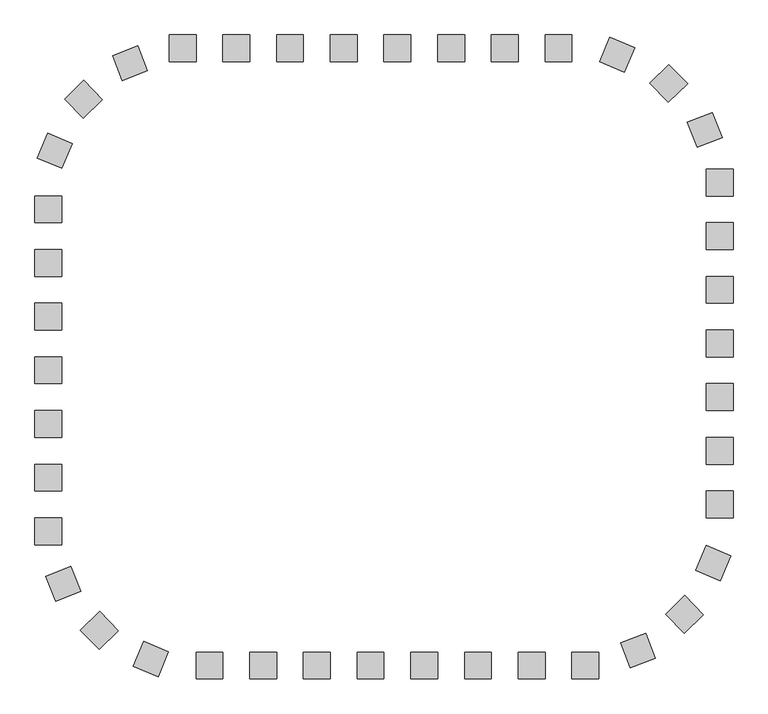
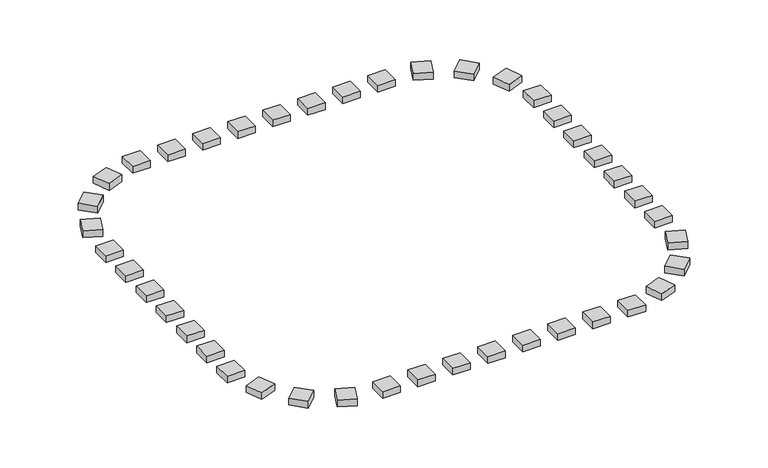
"""IFC4 building model written with IfcOpenShell, lengths in millimetres: railing geometry."""

from ifc_helpers import new_model, si_unit, origin, origin_with_axes, place, context, project, spatial, polyline, outline, extrude, source, transform, mapped, element, save


def railing_3640f5e8(model_context):
    return source(origin(), model_context, "Body", "SweptSolid", [
        extrude(outline(polyline([(61542.0201433, 21987.3166341), (61542.0201433, 21487.3166341), (61042.0201433, 21487.3166341), (61042.0201433, 21987.3166341), (61542.0201433, 21987.3166341)])), origin_with_axes(), (0.0, 0.0, 1.0), 200.0),
        extrude(outline(polyline([(60542.0201433, 21987.3166341), (60542.0201433, 21487.3166341), (60042.0201433, 21487.3166341), (60042.0201433, 21987.3166341), (60542.0201433, 21987.3166341)])), origin_with_axes(), (0.0, 0.0, 1.0), 200.0),
        extrude(outline(polyline([(59542.0201433, 21987.3166341), (59542.0201433, 21487.3166341), (59042.0201433, 21487.3166341), (59042.0201433, 21987.3166341), (59542.0201433, 21987.3166341)])), origin_with_axes(), (0.0, 0.0, 1.0), 200.0),
        extrude(outline(polyline([(58542.0201433, 21987.3166341), (58542.0201433, 21487.3166341), (58042.0201433, 21487.3166341), (58042.0201433, 21987.3166341), (58542.0201433, 21987.3166341)])), origin_with_axes(), (0.0, 0.0, 1.0), 200.0),
        extrude(outline(polyline([(57542.0201433, 21987.3166341), (57542.0201433, 21487.3166341), (57042.0201433, 21487.3166341), (57042.0201433, 21987.3166341), (57542.0201433, 21987.3166341)])), origin_with_axes(), (0.0, 0.0, 1.0), 200.0),
        extrude(outline(polyline([(56542.0201433, 21987.3166341), (56542.0201433, 21487.3166341), (56042.0201433, 21487.3166341), (56042.0201433, 21987.3166341), (56542.0201433, 21987.3166341)])), origin_with_axes(), (0.0, 0.0, 1.0), 200.0),
        extrude(outline(polyline([(54454.9468799, 21783.433892), (54636.1257571, 21317.4143491), (54170.1062142, 21136.2354718), (53988.9273369, 21602.2550148), (54454.9468799, 21783.433892)])), origin_with_axes(), (0.0, 0.0, 1.0), 200.0),
        extrude(outline(polyline([(53451.9000153, 21139.3849068), (53800.25337, 20780.7068614), (53441.5753245, 20432.3535067), (53093.2219698, 20791.0315522), (53451.9000153, 21139.3849068)])), origin_with_axes(), (0.0, 0.0, 1.0), 200.0),
        extrude(outline(polyline([(52778.8371613, 20155.5716611), (53239.3676583, 19960.8624899), (53044.6584872, 19500.3319929), (52584.1279902, 19695.0411641), (52778.8371613, 20155.5716611)])), origin_with_axes(), (0.0, 0.0, 1.0), 200.0),
        extrude(outline(polyline([(52542.0201433, 17987.3166341), (53042.0201433, 17987.3166341), (53042.0201433, 17487.3166341), (52542.0201433, 17487.3166341), (52542.0201433, 17987.3166341)])), origin_with_axes(), (0.0, 0.0, 1.0), 200.0),
        extrude(outline(polyline([(52542.0201433, 16987.3166341), (53042.0201433, 16987.3166341), (53042.0201433, 16487.3166341), (52542.0201433, 16487.3166341), (52542.0201433, 16987.3166341)])), origin_with_axes(), (0.0, 0.0, 1.0), 200.0),
        extrude(outline(polyline([(52542.0201433, 15987.3166341), (53042.0201433, 15987.3166341), (53042.0201433, 15487.3166341), (52542.0201433, 15487.3166341), (52542.0201433, 15987.3166341)])), origin_with_axes(), (0.0, 0.0, 1.0), 200.0),
        extrude(outline(polyline([(52542.0201433, 14987.3166341), (53042.0201433, 14987.3166341), (53042.0201433, 14487.3166341), (52542.0201433, 14487.3166341), (52542.0201433, 14987.3166341)])), origin_with_axes(), (0.0, 0.0, 1.0), 200.0),
        extrude(outline(polyline([(52542.0201433, 13987.3166341), (53042.0201433, 13987.3166341), (53042.0201433, 13487.3166341), (52542.0201433, 13487.3166341), (52542.0201433, 13987.3166341)])), origin_with_axes(), (0.0, 0.0, 1.0), 200.0),
        extrude(outline(polyline([(52745.9028854, 11900.2433707), (53211.9224284, 12081.4222479), (53393.1013056, 11615.402705), (52927.0817627, 11434.2238277), (52745.9028854, 11900.2433707)])), origin_with_axes(), (0.0, 0.0, 1.0), 200.0),
        extrude(outline(polyline([(53389.9518706, 10897.1965061), (53748.6299161, 11245.5498608), (54096.9832708, 10886.8718153), (53738.3052253, 10538.5184606), (53389.9518706, 10897.1965061)])), origin_with_axes(), (0.0, 0.0, 1.0), 200.0),
        extrude(outline(polyline([(54373.7651164, 10224.1336521), (54568.4742876, 10684.6641491), (55029.0047846, 10489.954978), (54834.2956134, 10029.424481), (54373.7651164, 10224.1336521)])), origin_with_axes(), (0.0, 0.0, 1.0), 200.0),
        extrude(outline(polyline([(56542.0201433, 9987.3166341), (56542.0201433, 10487.3166341), (57042.0201433, 10487.3166341), (57042.0201433, 9987.3166341), (56542.0201433, 9987.3166341)])), origin_with_axes(), (0.0, 0.0, 1.0), 200.0),
        extrude(outline(polyline([(57542.0201433, 9987.3166341), (57542.0201433, 10487.3166341), (58042.0201433, 10487.3166341), (58042.0201433, 9987.3166341), (57542.0201433, 9987.3166341)])), origin_with_axes(), (0.0, 0.0, 1.0), 200.0),
        extrude(outline(polyline([(58542.0201433, 9987.3166341), (58542.0201433, 10487.3166341), (59042.0201433, 10487.3166341), (59042.0201433, 9987.3166341), (58542.0201433, 9987.3166341)])), origin_with_axes(), (0.0, 0.0, 1.0), 200.0),
        extrude(outline(polyline([(59542.0201433, 9987.3166341), (59542.0201433, 10487.3166341), (60042.0201433, 10487.3166341), (60042.0201433, 9987.3166341), (59542.0201433, 9987.3166341)])), origin_with_axes(), (0.0, 0.0, 1.0), 200.0),
        extrude(outline(polyline([(60542.0201433, 9987.3166341), (60542.0201433, 10487.3166341), (61042.0201433, 10487.3166341), (61042.0201433, 9987.3166341), (60542.0201433, 9987.3166341)])), origin_with_axes(), (0.0, 0.0, 1.0), 200.0),
        extrude(outline(polyline([(61542.0201433, 9987.3166341), (61542.0201433, 10487.3166341), (62042.0201433, 10487.3166341), (62042.0201433, 9987.3166341), (61542.0201433, 9987.3166341)])), origin_with_axes(), (0.0, 0.0, 1.0), 200.0),
        extrude(outline(polyline([(63629.0934068, 10191.1993762), (63447.9145295, 10657.2189192), (63913.9340725, 10838.3977965), (64095.1129497, 10372.3782535), (63629.0934068, 10191.1993762)])), origin_with_axes(), (0.0, 0.0, 1.0), 200.0),
        extrude(outline(polyline([(64632.1402714, 10835.2483614), (64283.7869167, 11193.9264069), (64642.4649621, 11542.2797616), (64990.8183168, 11183.6017161), (64632.1402714, 10835.2483614)])), origin_with_axes(), (0.0, 0.0, 1.0), 200.0),
        extrude(outline(polyline([(65305.2031253, 11819.0616072), (64844.6726283, 12013.7707784), (65039.3817995, 12474.3012754), (65499.9122965, 12279.5921042), (65305.2031253, 11819.0616072)])), origin_with_axes(), (0.0, 0.0, 1.0), 200.0),
        extrude(outline(polyline([(65542.0201433, 13987.3166341), (65042.0201433, 13987.3166341), (65042.0201433, 14487.3166341), (65542.0201433, 14487.3166341), (65542.0201433, 13987.3166341)])), origin_with_axes(), (0.0, 0.0, 1.0), 200.0),
        extrude(outline(polyline([(65542.0201433, 14987.3166341), (65042.0201433, 14987.3166341), (65042.0201433, 15487.3166341), (65542.0201433, 15487.3166341), (65542.0201433, 14987.3166341)])), origin_with_axes(), (0.0, 0.0, 1.0), 200.0),
        extrude(outline(polyline([(65542.0201433, 15987.3166341), (65042.0201433, 15987.3166341), (65042.0201433, 16487.3166341), (65542.0201433, 16487.3166341), (65542.0201433, 15987.3166341)])), origin_with_axes(), (0.0, 0.0, 1.0), 200.0),
        extrude(outline(polyline([(65542.0201433, 16987.3166341), (65042.0201433, 16987.3166341), (65042.0201433, 17487.3166341), (65542.0201433, 17487.3166341), (65542.0201433, 16987.3166341)])), origin_with_axes(), (0.0, 0.0, 1.0), 200.0),
        extrude(outline(polyline([(65542.0201433, 17987.3166341), (65042.0201433, 17987.3166341), (65042.0201433, 18487.3166341), (65542.0201433, 18487.3166341), (65542.0201433, 17987.3166341)])), origin_with_axes(), (0.0, 0.0, 1.0), 200.0),
        extrude(outline(polyline([(65338.1374012, 20074.3898976), (64872.1178582, 19893.2110203), (64690.938981, 20359.2305633), (65156.958524, 20540.4094406), (65338.1374012, 20074.3898976)])), origin_with_axes(), (0.0, 0.0, 1.0), 200.0),
        extrude(outline(polyline([(64694.088416, 21077.4367622), (64335.4103706, 20729.0834075), (63987.0570159, 21087.761453), (64345.7350614, 21436.1148076), (64694.088416, 21077.4367622)])), origin_with_axes(), (0.0, 0.0, 1.0), 200.0),
        extrude(outline(polyline([(63710.2751703, 21750.4996161), (63515.5659991, 21289.9691191), (63055.0355021, 21484.6782903), (63249.7446733, 21945.2087873), (63710.2751703, 21750.4996161)])), origin_with_axes(), (0.0, 0.0, 1.0), 200.0),
        extrude(outline(polyline([(62542.0201433, 21987.3166341), (62542.0201433, 21487.3166341), (62042.0201433, 21487.3166341), (62042.0201433, 21987.3166341), (62542.0201433, 21987.3166341)])), origin_with_axes(), (0.0, 0.0, 1.0), 200.0),
        extrude(outline(polyline([(55542.0201433, 21987.3166341), (55542.0201433, 21487.3166341), (55042.0201433, 21487.3166341), (55042.0201433, 21987.3166341), (55542.0201433, 21987.3166341)])), origin_with_axes(), (0.0, 0.0, 1.0), 200.0),
        extrude(outline(polyline([(52542.0201433, 18987.3166341), (53042.0201433, 18987.3166341), (53042.0201433, 18487.3166341), (52542.0201433, 18487.3166341), (52542.0201433, 18987.3166341)])), origin_with_axes(), (0.0, 0.0, 1.0), 200.0),
        extrude(outline(polyline([(52542.0201433, 12987.3166341), (53042.0201433, 12987.3166341), (53042.0201433, 12487.3166341), (52542.0201433, 12487.3166341), (52542.0201433, 12987.3166341)])), origin_with_axes(), (0.0, 0.0, 1.0), 200.0),
        extrude(outline(polyline([(55542.0201433, 9987.3166341), (55542.0201433, 10487.3166341), (56042.0201433, 10487.3166341), (56042.0201433, 9987.3166341), (55542.0201433, 9987.3166341)])), origin_with_axes(), (0.0, 0.0, 1.0), 200.0),
        extrude(outline(polyline([(62542.0201433, 9987.3166341), (62542.0201433, 10487.3166341), (63042.0201433, 10487.3166341), (63042.0201433, 9987.3166341), (62542.0201433, 9987.3166341)])), origin_with_axes(), (0.0, 0.0, 1.0), 200.0),
        extrude(outline(polyline([(65542.0201433, 12987.3166341), (65042.0201433, 12987.3166341), (65042.0201433, 13487.3166341), (65542.0201433, 13487.3166341), (65542.0201433, 12987.3166341)])), origin_with_axes(), (0.0, 0.0, 1.0), 200.0),
        extrude(outline(polyline([(65542.0201433, 18987.3166341), (65042.0201433, 18987.3166341), (65042.0201433, 19487.3166341), (65542.0201433, 19487.3166341), (65542.0201433, 18987.3166341)])), origin_with_axes(), (0.0, 0.0, 1.0), 200.0),
    ])


if __name__ == "__main__":
    model = new_model("IFC4")
    model_context = context("Model", 3, world=origin())
    ifc_project = project(units=[si_unit("LENGTHUNIT", "METRE", prefix="MILLI")], contexts=[model_context])
    site = spatial("IfcSite", under=ifc_project)
    building = spatial("IfcBuilding", under=site)
    placement = place(None, origin())
    railing_shape = railing_3640f5e8(model_context)
    element("IfcRailing", 1, at=placement, inside=building, context=model_context, shape_type="MappedRepresentation", body=[
        mapped(railing_shape, transform((0.0, 0.0, 0.0), x_axis=(1.0, 0.0, 0.0), y_axis=(0.0, 1.0, 0.0), z_axis=(0.0, 0.0, 1.0))),
    ])
    save(model, "model.ifc")
